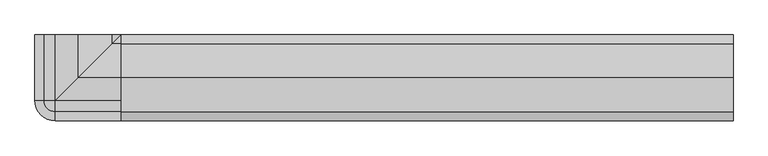
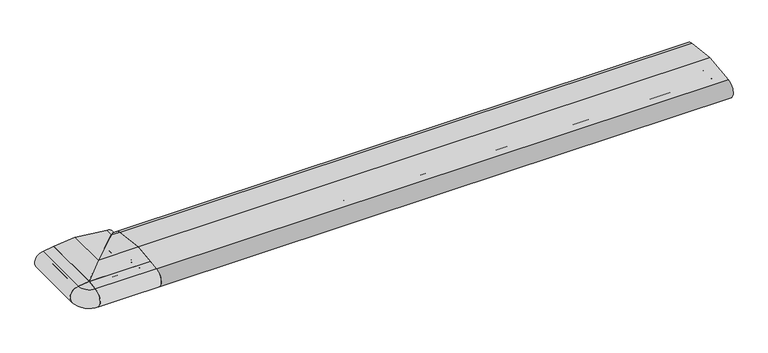
"""IFC4 building model written with IfcOpenShell, lengths in millimetres: proxy geometry."""

from ifc_helpers import new_model, si_unit, point, frame, frame_2d, origin, place, context, project, spatial, polyline, circle_curve, ellipse_curve, trimmed, segment, composite_curve, outline, extrude, source, transform, mapped, element, save
from ifc_brep_helpers import plane_surface, cylinder_surface, revolved_surface, advanced_brep


def generic_models_9a75da99(model_context):
    return source(origin(), model_context, "Body", "SolidModel", [
        advanced_brep(
        [(-133.0, 50.0, 0.0), (-160.0, 50.0, 0.0), (-160.0, 50.0, 53.7864216), (-105.0, 50.0, 60.4), (-21.9141927, 50.0, 50.4091909), (-23.4018517, 50.0, 2.5074549), (-24.2927999, 50.0, 3.0071443), (-26.3094011, 50.0, 6.5), (-28.0414519, 50.0, 7.5), (-44.5151724, 50.0, 7.5), (-46.2472233, 50.0, 6.5), (-49.7113249, 50.0, 0.5), (-50.5773503, 50.0, 0.0), (-77.0, 50.0, 0.0), (-78.0, 50.0, 1.0), (-78.0, 50.0, 7.0), (-80.0, 50.0, 9.0), (-93.0, 50.0, 9.0), (-95.0, 50.0, 7.0), (-95.0, 50.0, 1.0), (-96.0, 50.0, 0.0), (-114.0, 50.0, 0.0), (-115.0, 50.0, 1.0), (-115.0, 50.0, 7.0), (-117.0, 50.0, 9.0), (-130.0, 50.0, 9.0), (-132.0, 50.0, 7.0), (-132.0, 50.0, 1.0), (-134.3659949, 50.0, 17.8353497), (-134.3659949, 50.0, 29.8353497), (-137.6340051, 50.0, 29.8353497), (-137.6340051, 50.0, 17.8353497), (-112.9623451, 50.0, 23.8353497), (-97.0376549, 50.0, 23.8353497), (-75.6340051, 50.0, 17.8353497), (-72.3659949, 50.0, 17.8353497), (-72.3659949, 50.0, 29.8353497), (-75.6340051, 50.0, 29.8353497), (-133.0, -83.0, 0.0), (-160.0, -110.0, 0.0), (-160.0, -110.0, 53.7864216), (-105.0, -55.0, 60.4), (-21.9141927, 28.0858073, 50.4091909), (-23.4018517, 26.5981483, 2.5074549), (-24.2927999, 25.7072001, 3.0071443), (-26.3094011, 23.6905989, 6.5), (-28.0414519, 21.9585481, 7.5), (-44.5151724, 5.4848276, 7.5), (-46.2472233, 3.7527767, 6.5), (-49.7113249, 0.2886751, 0.5), (-50.5773503, -0.5773503, 0.0), (-77.0, -27.0, 0.0), (-78.0, -28.0, 1.0), (-78.0, -28.0, 7.0), (-80.0, -30.0, 9.0), (-93.0, -43.0, 9.0), (-95.0, -45.0, 7.0), (-95.0, -45.0, 1.0), (-96.0, -46.0, 0.0), (-114.0, -64.0, 0.0), (-115.0, -65.0, 1.0), (-115.0, -65.0, 7.0), (-117.0, -67.0, 9.0), (-130.0, -80.0, 9.0), (-132.0, -82.0, 7.0), (-132.0, -82.0, 1.0), (-134.3659949, -84.3659949, 17.8353497), (-134.3659949, -84.3659949, 29.8353497), (-137.6340051, -87.6340051, 29.8353497), (-137.6340051, -87.6340051, 17.8353497), (-112.9623451, -62.9623451, 23.8353497), (-97.0376549, -47.0376549, 23.8353497), (-75.6340051, -25.6340051, 17.8353497), (-72.3659949, -22.3659949, 17.8353497), (-72.3659949, -22.3659949, 29.8353497), (-75.6340051, -25.6340051, 29.8353497)],
        [
            (0, 1),
            (1, 2),
            (2, 3),
            (3, 4),
            (4, 5, circle_curve(frame((-24.0, 50.0, 26.5), z_axis=(0.0, 1.0, 0.0), x_axis=(0.08690863944627836, 0.0, 0.9962162859487877)), 24.0)),
            (5, 6, circle_curve(frame((-23.4267745, 50.0, 3.5071443), z_axis=(0.0, 1.0, 0.0), x_axis=(0.024922847684081085, 0.0, -0.999689377588517)), 1.0)),
            (6, 7),
            (7, 8, circle_curve(frame((-28.0414519, 50.0, 5.5), z_axis=(0.0, -1.0, 0.0), x_axis=(0.8660254037844379, 0.0, 0.5000000000000012)), 2.0)),
            (8, 9),
            (9, 10, circle_curve(frame((-44.5151724, 50.0, 5.5), z_axis=(0.0, -1.0, 0.0), x_axis=(0.0, 0.0, 1.0)), 2.0)),
            (10, 11),
            (11, 12, circle_curve(frame((-50.5773503, 50.0, 1.0), z_axis=(0.0, 1.0, 0.0), x_axis=(0.8660254037844339, 0.0, -0.5000000000000082)), 1.0)),
            (12, 13),
            (13, 14, circle_curve(frame((-77.0, 50.0, 1.0), z_axis=(0.0, 1.0, 0.0), x_axis=(0.0, 0.0, -1.0)), 1.0)),
            (14, 15),
            (15, 16, circle_curve(frame((-80.0, 50.0, 7.0), z_axis=(0.0, -1.0, 0.0), x_axis=(1.0, 0.0, 0.0)), 2.0)),
            (16, 17),
            (17, 18, circle_curve(frame((-93.0, 50.0, 7.0), z_axis=(0.0, -1.0, 0.0), x_axis=(0.0, 0.0, 1.0)), 2.0)),
            (18, 19),
            (19, 20, circle_curve(frame((-96.0, 50.0, 1.0), z_axis=(0.0, 1.0, 0.0), x_axis=(1.0, 0.0, 0.0)), 1.0)),
            (20, 21),
            (21, 22, circle_curve(frame((-114.0, 50.0, 1.0), z_axis=(0.0, 1.0, 0.0), x_axis=(-1.0, 0.0, 0.0)), 1.0)),
            (22, 23),
            (23, 24, circle_curve(frame((-117.0, 50.0, 7.0), z_axis=(0.0, -1.0, 0.0), x_axis=(0.0, 0.0, 1.0)), 2.0)),
            (24, 25),
            (25, 26, circle_curve(frame((-130.0, 50.0, 7.0), z_axis=(0.0, -1.0, 0.0), x_axis=(-1.0, 0.0, 0.0)), 2.0)),
            (26, 27),
            (27, 0, circle_curve(frame((-133.0, 50.0, 1.0), z_axis=(0.0, 1.0, 0.0), x_axis=(0.0, 0.0, -1.0)), 1.0)),
            (28, 29, circle_curve(frame((-133.9962051, 50.0, 23.8353497), z_axis=(0.0, -1.0, 0.0), x_axis=(-0.061514911664729485, 0.0, 0.9981061645150182)), 6.0113846)),
            (29, 30),
            (30, 31, circle_curve(frame((-138.0037949, 50.0, 23.8353497), z_axis=(0.0, -1.0, 0.0), x_axis=(0.061514911664663253, 0.0, -0.9981061645150223)), 6.0113846)),
            (31, 28),
            (32, 33, circle_curve(frame((-105.0, 50.0, 23.8353497), z_axis=(0.0, -1.0, 0.0), x_axis=(1.0, 0.0, 0.0)), 7.9623451)),
            (33, 32, circle_curve(frame((-105.0, 50.0, 23.8353497), z_axis=(0.0, -1.0, 0.0), x_axis=(1.0, 0.0, 0.0)), 7.9623451)),
            (34, 35),
            (35, 36, circle_curve(frame((-71.9962051, 50.0, 23.8353497), z_axis=(0.0, -1.0, 0.0), x_axis=(-0.061514911664663253, 0.0, -0.9981061645150223)), 6.0113846)),
            (36, 37),
            (37, 34, circle_curve(frame((-76.0037949, 50.0, 23.8353497), z_axis=(0.0, -1.0, 0.0), x_axis=(0.061514911664729485, 0.0, 0.9981061645150182)), 6.0113846)),
            (0, 38),
            (38, 39),
            (39, 1),
            (39, 40),
            (40, 2),
            (40, 41),
            (41, 3),
            (41, 42),
            (42, 4),
            (42, 43, ellipse_curve(frame((-24.0, 26.0, 26.5), z_axis=(-0.7071067811865491, 0.707106781186546, 0.0), x_axis=(-0.707106781186546, -0.7071067811865491, 0.0)), 33.9411255, 24.0)),
            (43, 5),
            (43, 44, ellipse_curve(frame((-23.4267745, 26.5732255, 3.5071443), z_axis=(-0.7071067811865491, 0.707106781186546, 0.0), x_axis=(-0.707106781186546, -0.7071067811865491, 0.0)), 1.4142136, 1.0)),
            (44, 6),
            (44, 45),
            (45, 7),
            (45, 46, ellipse_curve(frame((-28.0414519, 21.9585481, 5.5), z_axis=(0.7071067811865491, -0.707106781186546, 0.0), x_axis=(0.707106781186546, 0.7071067811865491, 0.0)), 2.8284271, 2.0)),
            (46, 8),
            (46, 47),
            (47, 9),
            (47, 48, ellipse_curve(frame((-44.5151724, 5.4848276, 5.5), z_axis=(0.7071067811865491, -0.707106781186546, 0.0), x_axis=(0.707106781186546, 0.7071067811865491, 0.0)), 2.8284271, 2.0)),
            (48, 10),
            (48, 49),
            (49, 11),
            (49, 50, ellipse_curve(frame((-50.5773503, -0.5773503, 1.0), z_axis=(-0.7071067811865491, 0.707106781186546, 0.0), x_axis=(-0.707106781186546, -0.7071067811865491, 0.0)), 1.4142136, 1.0)),
            (50, 12),
            (50, 51),
            (51, 13),
            (51, 52, ellipse_curve(frame((-77.0, -27.0, 1.0), z_axis=(-0.7071067811865491, 0.707106781186546, 0.0), x_axis=(-0.707106781186546, -0.7071067811865491, 0.0)), 1.4142136, 1.0)),
            (52, 14),
            (52, 53),
            (53, 15),
            (53, 54, ellipse_curve(frame((-80.0, -30.0, 7.0), z_axis=(0.7071067811865491, -0.707106781186546, 0.0), x_axis=(0.707106781186546, 0.7071067811865491, 0.0)), 2.8284271, 2.0)),
            (54, 16),
            (54, 55),
            (55, 17),
            (55, 56, ellipse_curve(frame((-93.0, -43.0, 7.0), z_axis=(0.7071067811865491, -0.707106781186546, 0.0), x_axis=(0.707106781186546, 0.7071067811865491, 0.0)), 2.8284271, 2.0)),
            (56, 18),
            (56, 57),
            (57, 19),
            (57, 58, ellipse_curve(frame((-96.0, -46.0, 1.0), z_axis=(-0.7071067811865491, 0.707106781186546, 0.0), x_axis=(-0.707106781186546, -0.7071067811865491, 0.0)), 1.4142136, 1.0)),
            (58, 20),
            (58, 59),
            (59, 21),
            (59, 60, ellipse_curve(frame((-114.0, -64.0, 1.0), z_axis=(-0.7071067811865491, 0.707106781186546, 0.0), x_axis=(-0.707106781186546, -0.7071067811865491, 0.0)), 1.4142136, 1.0)),
            (60, 22),
            (60, 61),
            (61, 23),
            (61, 62, ellipse_curve(frame((-117.0, -67.0, 7.0), z_axis=(0.7071067811865491, -0.707106781186546, 0.0), x_axis=(0.707106781186546, 0.7071067811865491, 0.0)), 2.8284271, 2.0)),
            (62, 24),
            (62, 63),
            (63, 25),
            (63, 64, ellipse_curve(frame((-130.0, -80.0, 7.0), z_axis=(0.7071067811865491, -0.707106781186546, 0.0), x_axis=(0.707106781186546, 0.7071067811865491, 0.0)), 2.8284271, 2.0)),
            (64, 26),
            (64, 65),
            (65, 27),
            (65, 38, ellipse_curve(frame((-133.0, -83.0, 1.0), z_axis=(-0.7071067811865491, 0.707106781186546, 0.0), x_axis=(-0.707106781186546, -0.7071067811865491, 0.0)), 1.4142136, 1.0)),
            (28, 66),
            (66, 67, ellipse_curve(frame((-133.9962051, -83.9962051, 23.8353497), z_axis=(0.7071067811865491, -0.707106781186546, 0.0), x_axis=(0.707106781186546, 0.7071067811865491, 0.0)), 8.5013816, 6.0113846)),
            (67, 29),
            (67, 68),
            (68, 30),
            (68, 69, ellipse_curve(frame((-138.0037949, -88.0037949, 23.8353497), z_axis=(0.7071067811865491, -0.707106781186546, 0.0), x_axis=(0.707106781186546, 0.7071067811865491, 0.0)), 8.5013816, 6.0113846)),
            (69, 31),
            (69, 66),
            (32, 70),
            (70, 71, ellipse_curve(frame((-105.0, -55.0, 23.8353497), z_axis=(0.7071067811865491, -0.707106781186546, 0.0), x_axis=(0.707106781186546, 0.7071067811865491, 0.0)), 11.2604564, 7.9623451)),
            (71, 33),
            (71, 70, ellipse_curve(frame((-105.0, -55.0, 23.8353497), z_axis=(0.7071067811865491, -0.707106781186546, 0.0), x_axis=(0.707106781186546, 0.7071067811865491, 0.0)), 11.2604564, 7.9623451)),
            (34, 72),
            (72, 73),
            (73, 35),
            (73, 74, ellipse_curve(frame((-71.9962051, -21.9962051, 23.8353497), z_axis=(0.7071067811865491, -0.707106781186546, 0.0), x_axis=(0.707106781186546, 0.7071067811865491, 0.0)), 8.5013816, 6.0113846)),
            (74, 36),
            (74, 75),
            (75, 37),
            (75, 72, ellipse_curve(frame((-76.0037949, -26.0037949, 23.8353497), z_axis=(0.7071067811865491, -0.707106781186546, 0.0), x_axis=(0.707106781186546, 0.7071067811865491, 0.0)), 8.5013816, 6.0113846)),
        ],
        [
            plane_surface(frame((-50.0, 50.0, 0.0), z_axis=(0.0, 1.0, 0.0), x_axis=(0.0, 0.0, 1.0))),
            plane_surface(frame((-133.0, -110.0, 0.0), z_axis=(0.0, 0.0, -1.0), x_axis=(0.0, 1.0, 0.0))),
            plane_surface(frame((-160.0, -110.0, 0.0), z_axis=(-1.0, 0.0, 0.0), x_axis=(0.0, 1.0, 0.0))),
            plane_surface(frame((-160.0, -110.0, 53.7864216), z_axis=(-0.11938685218914781, 0.0, 0.9928478128718251), x_axis=(0.0, 1.0, 0.0))),
            plane_surface(frame((-105.0, -110.0, 60.4), z_axis=(0.11938685218914852, 0.0, 0.992847812871825), x_axis=(0.0, 1.0, 0.0))),
            cylinder_surface(frame((-24.0, -110.0, 26.5), z_axis=(0.0, -1.0, 0.0), x_axis=(0.08690863944627836, 0.0, 0.9962162859487877)), 24.0),
            cylinder_surface(frame((-23.4267745, -110.0, 3.5071443), z_axis=(0.0, -1.0000000000000002, 0.0), x_axis=(0.024922847684081085, 0.0, -0.999689377588517)), 1.0),
            plane_surface(frame((-24.2927999, -110.0, 3.0071443), z_axis=(-0.8660254037844368, 0.0, -0.5000000000000032), x_axis=(0.0, 1.0, 0.0))),
            revolved_surface(polyline([(-26.309401092431123, 50.0, 6.500000000000003), (-26.309401092431123, 19.958548117498196, 6.500000000000003)]), (-28.0414519, -110.0, 5.5), (0.0, 1.0, 0.0)),
            plane_surface(frame((-28.0414519, -110.0, 7.5), z_axis=(0.0, 0.0, -1.0), x_axis=(0.0, 1.0, 0.0))),
            revolved_surface(polyline([(-44.5151724, 50.0, 7.5), (-44.5151724, 3.4848276174981976, 7.5)]), (-44.5151724, -110.0, 5.5), (0.0, 1.0, 0.0)),
            plane_surface(frame((-46.2472233, -110.0, 6.5), z_axis=(0.8660254037844349, 0.0, -0.5000000000000064), x_axis=(0.0, 1.0, 0.0))),
            cylinder_surface(frame((-50.5773503, -110.0, 1.0), z_axis=(0.0, -1.0, 0.0), x_axis=(0.8660254037844339, 0.0, -0.5000000000000082)), 1.0),
            plane_surface(frame((-50.5773503, -110.0, 0.0), z_axis=(0.0, 0.0, -1.0), x_axis=(0.0, 1.0, 0.0))),
            cylinder_surface(frame((-77.0, -110.0, 1.0), z_axis=(0.0, -1.0, 0.0), x_axis=(0.0, 0.0, -1.0)), 1.0),
            plane_surface(frame((-78.0, -110.0, 1.0), z_axis=(-1.0, 0.0, 0.0), x_axis=(0.0, 1.0, 0.0))),
            revolved_surface(polyline([(-78.0, 50.0, 7.0), (-78.0, -31.999999982501805, 7.0)]), (-80.0, -110.0, 7.0), (0.0, 1.0, 0.0)),
            plane_surface(frame((-80.0, -110.0, 9.0), z_axis=(0.0, 0.0, -1.0), x_axis=(0.0, 1.0, 0.0))),
            revolved_surface(polyline([(-93.0, 50.0, 9.0), (-93.0, -45.0, 9.0)]), (-93.0, -110.0, 7.0), (0.0, 1.0, 0.0)),
            plane_surface(frame((-95.0, -110.0, 7.0), z_axis=(1.0, 0.0, 0.0), x_axis=(0.0, 1.0, 0.0))),
            cylinder_surface(frame((-96.0, -110.0, 1.0), z_axis=(0.0, -1.0, 0.0), x_axis=(1.0, 0.0, 0.0)), 1.0),
            plane_surface(frame((-105.0, -110.0, 0.0), z_axis=(0.0, 0.0, -1.0), x_axis=(0.0, 1.0, 0.0))),
            cylinder_surface(frame((-114.0, -110.0, 1.0), z_axis=(0.0, -1.0, 0.0), x_axis=(-1.0, 0.0, 0.0)), 1.0),
            plane_surface(frame((-115.0, -110.0, 1.0), z_axis=(-1.0, 0.0, 0.0), x_axis=(0.0, 1.0, 0.0))),
            revolved_surface(polyline([(-117.0, 50.0, 9.0), (-117.0, -68.9999999825018, 9.0)]), (-117.0, -110.0, 7.0), (0.0, 1.0, 0.0)),
            plane_surface(frame((-117.0, -110.0, 9.0), z_axis=(0.0, 0.0, -1.0), x_axis=(0.0, 1.0, 0.0))),
            revolved_surface(polyline([(-132.0, 50.0, 7.0), (-132.0, -82.0, 7.0)]), (-130.0, -110.0, 7.0), (0.0, 1.0, 0.0)),
            plane_surface(frame((-132.0, -110.0, 7.0), z_axis=(1.0, 0.0, 0.0), x_axis=(0.0, 1.0, 0.0))),
            cylinder_surface(frame((-133.0, -110.0, 1.0), z_axis=(0.0, -1.0, 0.0), x_axis=(0.0, 0.0, -1.0)), 1.0),
            revolved_surface(polyline([(-134.3659948926517, 50.0, 29.835349726530644), (-134.3659948926517, -90.00758967881455, 29.835349726530644)]), (-133.9962051, -110.0, 23.8353497), (0.0, 1.0, 0.0)),
            plane_surface(frame((-134.3659949, -110.0, 29.8353497), z_axis=(0.0, 0.0, -1.0), x_axis=(0.0, 1.0, 0.0))),
            revolved_surface(polyline([(-137.63400510734868, 50.00000000000006, 17.835349673469327), (-137.63400510734868, -94.01517947881456, 17.835349673469327)]), (-138.0037949, -110.0, 23.8353497), (0.0, 1.0000000000000002, 0.0)),
            plane_surface(frame((-137.6340051, -110.0, 17.8353497), z_axis=(0.0, 0.0, 1.0), x_axis=(0.0, 1.0, 0.0))),
            revolved_surface(polyline([(-97.0376549, 50.0, 23.8353497), (-97.0376549, -62.9623451, 23.8353497)]), (-105.0, -110.0, 23.8353497), (0.0, 1.0, 0.0)),
            plane_surface(frame((-75.6340051, -110.0, 17.8353497), z_axis=(0.0, 0.0, 1.0), x_axis=(0.0, 1.0, 0.0))),
            revolved_surface(polyline([(-72.36599489265132, 50.00000000000006, 17.835349673469327), (-72.36599489265132, -28.007589678814526, 17.835349673469327)]), (-71.9962051, -110.0, 23.8353497), (0.0, 1.0000000000000002, 0.0)),
            plane_surface(frame((-72.3659949, -110.0, 29.8353497), z_axis=(0.0, 0.0, -1.0), x_axis=(0.0, 1.0, 0.0))),
            revolved_surface(polyline([(-75.63400510734829, 50.0, 29.835349726530644), (-75.63400510734829, -32.01517947881456, 29.835349726530644)]), (-76.0037949, -110.0, 23.8353497), (0.0, 1.0, 0.0)),
            plane_surface(frame((46.2100168, 96.2100168, 85.0), z_axis=(0.7071067811865491, -0.707106781186546, 0.0), x_axis=(-0.707106781186546, -0.7071067811865491, 0.0))),
        ],
        [
            (0, [[1, 2, 3, 4, 5, 6, 7, 8, 9, 10, 11, 12, 13, 14, 15, 16, 17, 18, 19, 20, 21, 22, 23, 24, 25, 26, 27, 28], [29, 30, 31, 32], [33, 34], [35, 36, 37, 38]]),
            (1, [[39, 40, 41, -1]]),
            (2, [[-41, 42, 43, -2]]),
            (3, [[-43, 44, 45, -3]]),
            (4, [[-45, 46, 47, -4]]),
            (5, [[-47, 48, 49, -5]]),
            (6, [[-49, 50, 51, -6]]),
            (7, [[-51, 52, 53, -7]]),
            (8, [[-53, 54, 55, -8]]),
            (9, [[-55, 56, 57, -9]]),
            (10, [[-57, 58, 59, -10]]),
            (11, [[-59, 60, 61, -11]]),
            (12, [[-61, 62, 63, -12]]),
            (13, [[-63, 64, 65, -13]]),
            (14, [[-65, 66, 67, -14]]),
            (15, [[-67, 68, 69, -15]]),
            (16, [[-69, 70, 71, -16]]),
            (17, [[-71, 72, 73, -17]]),
            (18, [[-73, 74, 75, -18]]),
            (19, [[-75, 76, 77, -19]]),
            (20, [[-77, 78, 79, -20]]),
            (21, [[-79, 80, 81, -21]]),
            (22, [[-81, 82, 83, -22]]),
            (23, [[-83, 84, 85, -23]]),
            (24, [[-85, 86, 87, -24]]),
            (25, [[-87, 88, 89, -25]]),
            (26, [[-89, 90, 91, -26]]),
            (27, [[-91, 92, 93, -27]]),
            (28, [[-93, 94, -39, -28]]),
            (29, [[95, 96, 97, -29]]),
            (30, [[-97, 98, 99, -30]]),
            (31, [[-99, 100, 101, -31]]),
            (32, [[-101, 102, -95, -32]]),
            (33, [[103, 104, 105, -33]]),
            (33, [[-105, 106, -103, -34]]),
            (34, [[107, 108, 109, -35]]),
            (35, [[-109, 110, 111, -36]]),
            (36, [[-111, 112, 113, -37]]),
            (37, [[-113, 114, -107, -38]]),
            (38, [[-94, -92, -90, -88, -86, -84, -82, -80, -78, -76, -74, -72, -70, -68, -66, -64, -62, -60, -58, -56, -54, -52, -50, -48, -46, -44, -42, -40], [-102, -100, -98, -96], [-106, -104], [-114, -112, -110, -108]]),
        ],
    ),
        advanced_brep(
        [(0.0, -83.0, 0.0), (0.0, -82.0, 1.0), (0.0, -82.0, 7.0), (0.0, -80.0, 9.0), (0.0, -67.0, 9.0), (0.0, -65.0, 7.0), (0.0, -65.0, 1.0), (0.0, -64.0, 0.0), (0.0, -46.0, 0.0), (0.0, -45.0, 1.0), (0.0, -45.0, 7.0), (0.0, -43.0, 9.0), (0.0, -30.0, 9.0), (0.0, -28.0, 7.0), (0.0, -28.0, 1.0), (0.0, -27.0, 0.0), (0.0, -0.5773503, 0.0), (0.0, 0.2886751, 0.5), (0.0, 3.7527767, 6.5), (0.0, 5.4848276, 7.5), (0.0, 21.9585481, 7.5), (0.0, 23.6905989, 6.5), (0.0, 25.7072001, 3.0071443), (0.0, 26.5981483, 2.5074549), (0.0, 28.0858073, 50.4091909), (0.0, -55.0, 60.4), (0.0, -110.0, 53.7864216), (0.0, -110.0, 0.0), (0.0, -84.3659949, 17.8353497), (0.0, -87.6340051, 17.8353497), (0.0, -87.6340051, 29.8353497), (0.0, -84.3659949, 29.8353497), (0.0, -62.9623451, 23.8353497), (0.0, -47.0376549, 23.8353497), (0.0, -25.6340051, 17.8353497), (0.0, -25.6340051, 29.8353497), (0.0, -22.3659949, 29.8353497), (0.0, -22.3659949, 17.8353497), (-105.0, -55.0, 60.4), (-160.0, -110.0, 53.7864216), (-21.9141927, 28.0858073, 50.4091909), (-160.0, -110.0, 0.0), (-77.0, -27.0, 0.0), (-50.5773503, -0.5773503, 0.0), (-78.0, -28.0, 1.0), (-78.0, -28.0, 7.0), (-80.0, -30.0, 9.0), (-93.0, -43.0, 9.0), (-95.0, -45.0, 7.0), (-95.0, -45.0, 1.0), (-96.0, -46.0, 0.0), (-114.0, -64.0, 0.0), (-115.0, -65.0, 1.0), (-115.0, -65.0, 7.0), (-117.0, -67.0, 9.0), (-130.0, -80.0, 9.0), (-132.0, -82.0, 7.0), (-132.0, -82.0, 1.0), (-133.0, -83.0, 0.0), (-134.3659949, -84.3659949, 29.8353497), (-134.3659949, -84.3659949, 17.8353497), (-137.6340051, -87.6340051, 29.8353497), (-137.6340051, -87.6340051, 17.8353497), (-97.0376549, -47.0376549, 23.8353497), (-112.9623451, -62.9623451, 23.8353497), (-72.3659949, -22.3659949, 17.8353497), (-75.6340051, -25.6340051, 17.8353497), (-72.3659949, -22.3659949, 29.8353497), (-75.6340051, -25.6340051, 29.8353497), (-23.4018517, 26.5981483, 2.5074549), (-24.2927999, 25.7072001, 3.0071443), (-26.3094011, 23.6905989, 6.5), (-28.0414519, 21.9585481, 7.5), (-44.5151724, 5.4848276, 7.5), (-46.2472233, 3.7527767, 6.5), (-49.7113249, 0.2886751, 0.5)],
        [
            (0, 1, circle_curve(frame((0.0, -83.0, 1.0), z_axis=(1.0, 0.0, 0.0), x_axis=(0.0, 0.0, -1.0)), 1.0)),
            (1, 2),
            (2, 3, circle_curve(frame((0.0, -80.0, 7.0), z_axis=(-1.0, 0.0, 0.0), x_axis=(0.0, -1.0, 0.0)), 2.0)),
            (3, 4),
            (4, 5, circle_curve(frame((0.0, -67.0, 7.0), z_axis=(-1.0, 0.0, 0.0), x_axis=(0.0, 0.0, 1.0)), 2.0)),
            (5, 6),
            (6, 7, circle_curve(frame((0.0, -64.0, 1.0), z_axis=(1.0, 0.0, 0.0), x_axis=(0.0, -1.0, 0.0)), 1.0)),
            (7, 8),
            (8, 9, circle_curve(frame((0.0, -46.0, 1.0), z_axis=(1.0, 0.0, 0.0), x_axis=(0.0, 1.0, 0.0)), 1.0)),
            (9, 10),
            (10, 11, circle_curve(frame((0.0, -43.0, 7.0), z_axis=(-1.0, 0.0, 0.0), x_axis=(0.0, 0.0, 1.0)), 2.0)),
            (11, 12),
            (12, 13, circle_curve(frame((0.0, -30.0, 7.0), z_axis=(-1.0, 0.0, 0.0), x_axis=(0.0, 1.0, 0.0)), 2.0)),
            (13, 14),
            (14, 15, circle_curve(frame((0.0, -27.0, 1.0), z_axis=(1.0, 0.0, 0.0), x_axis=(0.0, 0.0, -1.0)), 1.0)),
            (15, 16),
            (16, 17, circle_curve(frame((0.0, -0.5773503, 1.0), z_axis=(1.0, 0.0, 0.0), x_axis=(0.0, 0.8660254037844339, -0.5000000000000082)), 1.0)),
            (17, 18),
            (18, 19, circle_curve(frame((0.0, 5.4848276, 5.5), z_axis=(-1.0, 0.0, 0.0), x_axis=(0.0, 0.0, 1.0)), 2.0)),
            (19, 20),
            (20, 21, circle_curve(frame((0.0, 21.9585481, 5.5), z_axis=(-1.0, 0.0, 0.0), x_axis=(0.0, 0.8660254037844379, 0.5000000000000012)), 2.0)),
            (21, 22),
            (22, 23, circle_curve(frame((0.0, 26.5732255, 3.5071443), z_axis=(1.0, 0.0, 0.0), x_axis=(0.0, 0.024922847684081085, -0.999689377588517)), 1.0)),
            (23, 24, circle_curve(frame((0.0, 26.0, 26.5), z_axis=(1.0, 0.0, 0.0), x_axis=(0.0, 0.08690863944627836, 0.9962162859487877)), 24.0)),
            (24, 25),
            (25, 26),
            (26, 27),
            (27, 0),
            (28, 29),
            (29, 30, circle_curve(frame((0.0, -88.0037949, 23.8353497), z_axis=(-1.0, 0.0, 0.0), x_axis=(0.0, 0.061514911664663253, -0.9981061645150223)), 6.0113846)),
            (30, 31),
            (31, 28, circle_curve(frame((0.0, -83.9962051, 23.8353497), z_axis=(-1.0, 0.0, 0.0), x_axis=(0.0, -0.061514911664729485, 0.9981061645150182)), 6.0113846)),
            (32, 33, circle_curve(frame((0.0, -55.0, 23.8353497), z_axis=(-1.0, 0.0, 0.0), x_axis=(0.0, 1.0, 0.0)), 7.9623451)),
            (33, 32, circle_curve(frame((0.0, -55.0, 23.8353497), z_axis=(-1.0, 0.0, 0.0), x_axis=(0.0, 1.0, 0.0)), 7.9623451)),
            (34, 35, circle_curve(frame((0.0, -26.0037949, 23.8353497), z_axis=(-1.0, 0.0, 0.0), x_axis=(0.0, 0.061514911664729485, 0.9981061645150182)), 6.0113846)),
            (35, 36),
            (36, 37, circle_curve(frame((0.0, -21.9962051, 23.8353497), z_axis=(-1.0, 0.0, 0.0), x_axis=(0.0, -0.061514911664663253, -0.9981061645150223)), 6.0113846)),
            (37, 34),
            (25, 38),
            (38, 39),
            (39, 26),
            (24, 40),
            (40, 38),
            (39, 41),
            (41, 27),
            (15, 42),
            (42, 43),
            (43, 16),
            (14, 44),
            (44, 42, ellipse_curve(frame((-77.0, -27.0, 1.0), z_axis=(0.7071067811865492, -0.7071067811865459, 0.0), x_axis=(0.7071067811865458, 0.7071067811865492, 0.0)), 1.4142136, 1.0)),
            (13, 45),
            (45, 44),
            (12, 46),
            (46, 45, ellipse_curve(frame((-80.0, -30.0, 7.0), z_axis=(-0.7071067811865492, 0.7071067811865459, 0.0), x_axis=(-0.7071067811865458, -0.7071067811865492, 0.0)), 2.8284271, 2.0)),
            (11, 47),
            (47, 46),
            (10, 48),
            (48, 47, ellipse_curve(frame((-93.0, -43.0, 7.0), z_axis=(-0.7071067811865492, 0.7071067811865459, 0.0), x_axis=(-0.7071067811865458, -0.7071067811865492, 0.0)), 2.8284271, 2.0)),
            (9, 49),
            (49, 48),
            (8, 50),
            (50, 49, ellipse_curve(frame((-96.0, -46.0, 1.0), z_axis=(0.7071067811865492, -0.7071067811865459, 0.0), x_axis=(0.7071067811865458, 0.7071067811865492, 0.0)), 1.4142136, 1.0)),
            (7, 51),
            (51, 50),
            (6, 52),
            (52, 51, ellipse_curve(frame((-114.0, -64.0, 1.0), z_axis=(0.7071067811865492, -0.7071067811865459, 0.0), x_axis=(0.7071067811865458, 0.7071067811865492, 0.0)), 1.4142136, 1.0)),
            (5, 53),
            (53, 52),
            (4, 54),
            (54, 53, ellipse_curve(frame((-117.0, -67.0, 7.0), z_axis=(-0.7071067811865492, 0.7071067811865459, 0.0), x_axis=(-0.7071067811865458, -0.7071067811865492, 0.0)), 2.8284271, 2.0)),
            (3, 55),
            (55, 54),
            (2, 56),
            (56, 55, ellipse_curve(frame((-130.0, -80.0, 7.0), z_axis=(-0.7071067811865492, 0.7071067811865459, 0.0), x_axis=(-0.7071067811865458, -0.7071067811865492, 0.0)), 2.8284271, 2.0)),
            (1, 57),
            (57, 56),
            (0, 58),
            (58, 57, ellipse_curve(frame((-133.0, -83.0, 1.0), z_axis=(0.7071067811865492, -0.7071067811865459, 0.0), x_axis=(0.7071067811865458, 0.7071067811865492, 0.0)), 1.4142136, 1.0)),
            (41, 58),
            (31, 59),
            (59, 60, ellipse_curve(frame((-133.9962051, -83.9962051, 23.8353497), z_axis=(-0.7071067811865492, 0.7071067811865459, 0.0), x_axis=(-0.7071067811865458, -0.7071067811865492, 0.0)), 8.5013816, 6.0113846)),
            (60, 28),
            (30, 61),
            (61, 59),
            (29, 62),
            (62, 61, ellipse_curve(frame((-138.0037949, -88.0037949, 23.8353497), z_axis=(-0.7071067811865492, 0.7071067811865459, 0.0), x_axis=(-0.7071067811865458, -0.7071067811865492, 0.0)), 8.5013816, 6.0113846)),
            (60, 62),
            (33, 63),
            (63, 64, ellipse_curve(frame((-105.0, -55.0, 23.8353497), z_axis=(-0.7071067811865492, 0.7071067811865459, 0.0), x_axis=(-0.7071067811865458, -0.7071067811865492, 0.0)), 11.2604564, 7.9623451)),
            (64, 32),
            (64, 63, ellipse_curve(frame((-105.0, -55.0, 23.8353497), z_axis=(-0.7071067811865492, 0.7071067811865459, 0.0), x_axis=(-0.7071067811865458, -0.7071067811865492, 0.0)), 11.2604564, 7.9623451)),
            (37, 65),
            (65, 66),
            (66, 34),
            (36, 67),
            (67, 65, ellipse_curve(frame((-71.9962051, -21.9962051, 23.8353497), z_axis=(-0.7071067811865492, 0.7071067811865459, 0.0), x_axis=(-0.7071067811865458, -0.7071067811865492, 0.0)), 8.5013816, 6.0113846)),
            (35, 68),
            (68, 67),
            (66, 68, ellipse_curve(frame((-76.0037949, -26.0037949, 23.8353497), z_axis=(-0.7071067811865492, 0.7071067811865459, 0.0), x_axis=(-0.7071067811865458, -0.7071067811865492, 0.0)), 8.5013816, 6.0113846)),
            (23, 69),
            (69, 40, ellipse_curve(frame((-24.0, 26.0, 26.5), z_axis=(0.7071067811865492, -0.7071067811865459, 0.0), x_axis=(0.7071067811865458, 0.7071067811865492, 0.0)), 33.9411255, 24.0)),
            (22, 70),
            (70, 69, ellipse_curve(frame((-23.4267745, 26.5732255, 3.5071443), z_axis=(0.7071067811865492, -0.7071067811865459, 0.0), x_axis=(0.7071067811865458, 0.7071067811865492, 0.0)), 1.4142136, 1.0)),
            (21, 71),
            (71, 70),
            (20, 72),
            (72, 71, ellipse_curve(frame((-28.0414519, 21.9585481, 5.5), z_axis=(-0.7071067811865492, 0.7071067811865459, 0.0), x_axis=(-0.7071067811865458, -0.7071067811865492, 0.0)), 2.8284271, 2.0)),
            (19, 73),
            (73, 72),
            (18, 74),
            (74, 73, ellipse_curve(frame((-44.5151724, 5.4848276, 5.5), z_axis=(-0.7071067811865492, 0.7071067811865459, 0.0), x_axis=(-0.7071067811865458, -0.7071067811865492, 0.0)), 2.8284271, 2.0)),
            (17, 75),
            (75, 74),
            (43, 75, ellipse_curve(frame((-50.5773503, -0.5773503, 1.0), z_axis=(0.7071067811865492, -0.7071067811865459, 0.0), x_axis=(0.7071067811865458, 0.7071067811865492, 0.0)), 1.4142136, 1.0)),
        ],
        [
            plane_surface(frame((0.0, 0.0, 0.0), z_axis=(1.0, 0.0, 0.0), x_axis=(0.0, 0.0, 1.0))),
            plane_surface(frame((0.0, -110.0, 53.7864216), z_axis=(0.0, -0.11938685218914781, 0.9928478128718251), x_axis=(-1.0, 0.0, 0.0))),
            plane_surface(frame((0.0, -55.0, 60.4), z_axis=(0.0, 0.11938685218914852, 0.992847812871825), x_axis=(-1.0, 0.0, 0.0))),
            plane_surface(frame((0.0, -110.0, 0.0), z_axis=(0.0, -1.0, 0.0), x_axis=(-1.0, 0.0, 0.0))),
            plane_surface(frame((0.0, -0.5773503, 0.0), z_axis=(0.0, 0.0, -1.0), x_axis=(-1.0, 0.0, 0.0))),
            cylinder_surface(frame((0.0, -27.0, 1.0), z_axis=(1.0, 0.0, 0.0), x_axis=(0.0, 0.0, -1.0)), 1.0),
            plane_surface(frame((0.0, -28.0, 1.0), z_axis=(0.0, -1.0, 0.0), x_axis=(-1.0, 0.0, 0.0))),
            revolved_surface(polyline([(-81.99999998250179, -28.0, 7.0), (0.0, -28.0, 7.0)]), (0.0, -30.0, 7.0), (-1.0, 0.0, 0.0)),
            plane_surface(frame((0.0, -30.0, 9.0), z_axis=(0.0, 0.0, -1.0), x_axis=(-1.0, 0.0, 0.0))),
            revolved_surface(polyline([(-95.0, -43.0, 9.0), (0.0, -43.0, 9.0)]), (0.0, -43.0, 7.0), (-1.0, 0.0, 0.0)),
            plane_surface(frame((0.0, -45.0, 7.0), z_axis=(0.0, 1.0, 0.0), x_axis=(-1.0, 0.0, 0.0))),
            cylinder_surface(frame((0.0, -46.0, 1.0), z_axis=(1.0, 0.0, 0.0), x_axis=(0.0, 1.0, 0.0)), 1.0),
            plane_surface(frame((0.0, -55.0, 0.0), z_axis=(0.0, 0.0, -1.0), x_axis=(-1.0, 0.0, 0.0))),
            cylinder_surface(frame((0.0, -64.0, 1.0), z_axis=(1.0, 0.0, 0.0), x_axis=(0.0, -1.0, 0.0)), 1.0),
            plane_surface(frame((0.0, -65.0, 1.0), z_axis=(0.0, -1.0, 0.0), x_axis=(-1.0, 0.0, 0.0))),
            revolved_surface(polyline([(-118.99999998250179, -67.0, 9.0), (0.0, -67.0, 9.0)]), (0.0, -67.0, 7.0), (-1.0, 0.0, 0.0)),
            plane_surface(frame((0.0, -67.0, 9.0), z_axis=(0.0, 0.0, -1.0), x_axis=(-1.0, 0.0, 0.0))),
            revolved_surface(polyline([(-132.0, -82.0, 7.0), (0.0, -82.0, 7.0)]), (0.0, -80.0, 7.0), (-1.0, 0.0, 0.0)),
            plane_surface(frame((0.0, -82.0, 7.0), z_axis=(0.0, 1.0, 0.0), x_axis=(-1.0, 0.0, 0.0))),
            cylinder_surface(frame((0.0, -83.0, 1.0), z_axis=(1.0, 0.0, 0.0), x_axis=(0.0, 0.0, -1.0)), 1.0),
            plane_surface(frame((0.0, -83.0, 0.0), z_axis=(0.0, 0.0, -1.0), x_axis=(-1.0, 0.0, 0.0))),
            revolved_surface(polyline([(-140.00758967881453, -84.36599489265171, 29.835349726530644), (0.0, -84.36599489265171, 29.835349726530644)]), (0.0, -83.9962051, 23.8353497), (-1.0, 0.0, 0.0)),
            plane_surface(frame((0.0, -84.3659949, 29.8353497), z_axis=(0.0, 0.0, -1.0), x_axis=(-1.0, 0.0, 0.0))),
            revolved_surface(polyline([(-144.0151794788146, -87.63400510734868, 17.835349673469327), (0.0, -87.63400510734868, 17.835349673469327)]), (0.0, -88.0037949, 23.8353497), (-1.0000000000000002, 0.0, 0.0)),
            plane_surface(frame((0.0, -87.6340051, 17.8353497), z_axis=(0.0, 0.0, 1.0), x_axis=(-1.0, 0.0, 0.0))),
            revolved_surface(polyline([(-112.9623451, -47.0376549, 23.8353497), (0.0, -47.0376549, 23.8353497)]), (0.0, -55.0, 23.8353497), (-1.0, 0.0, 0.0)),
            plane_surface(frame((0.0, -25.6340051, 17.8353497), z_axis=(0.0, 0.0, 1.0), x_axis=(-1.0, 0.0, 0.0))),
            revolved_surface(polyline([(-78.00758967881455, -22.36599489265132, 17.835349673469327), (0.0, -22.36599489265132, 17.835349673469327)]), (0.0, -21.9962051, 23.8353497), (-1.0000000000000002, 0.0, 0.0)),
            plane_surface(frame((0.0, -22.3659949, 29.8353497), z_axis=(0.0, 0.0, -1.0), x_axis=(-1.0, 0.0, 0.0))),
            revolved_surface(polyline([(-82.01517947881453, -25.634005107348283, 29.835349726530644), (0.0, -25.634005107348283, 29.835349726530644)]), (0.0, -26.0037949, 23.8353497), (-1.0, 0.0, 0.0)),
            cylinder_surface(frame((0.0, 26.0, 26.5), z_axis=(1.0, 0.0, 0.0), x_axis=(0.0, 0.08690863944627836, 0.9962162859487877)), 24.0),
            cylinder_surface(frame((0.0, 26.5732255, 3.5071443), z_axis=(1.0000000000000002, 0.0, 0.0), x_axis=(0.0, 0.024922847684081085, -0.999689377588517)), 1.0),
            plane_surface(frame((0.0, 25.7072001, 3.0071443), z_axis=(0.0, -0.8660254037844368, -0.5000000000000032), x_axis=(-1.0, 0.0, 0.0))),
            revolved_surface(polyline([(-30.041451882501796, 23.690598907568877, 6.500000000000003), (0.0, 23.690598907568877, 6.500000000000003)]), (0.0, 21.9585481, 5.5), (-1.0, 0.0, 0.0)),
            plane_surface(frame((0.0, 21.9585481, 7.5), z_axis=(0.0, 0.0, -1.0), x_axis=(-1.0, 0.0, 0.0))),
            revolved_surface(polyline([(-46.515172382501795, 5.4848276, 7.5), (0.0, 5.4848276, 7.5)]), (0.0, 5.4848276, 5.5), (-1.0, 0.0, 0.0)),
            plane_surface(frame((0.0, 3.7527767, 6.5), z_axis=(0.0, 0.8660254037844349, -0.5000000000000064), x_axis=(-1.0, 0.0, 0.0))),
            cylinder_surface(frame((0.0, -0.5773503, 1.0), z_axis=(1.0, 0.0, 0.0), x_axis=(0.0, 0.8660254037844339, -0.5000000000000082)), 1.0),
            plane_surface(frame((51.412591, 101.412591, 0.0), z_axis=(-0.7071067811865492, 0.7071067811865459, 0.0), x_axis=(-0.7071067811865459, -0.7071067811865492, 0.0))),
        ],
        [
            (0, [[1, 2, 3, 4, 5, 6, 7, 8, 9, 10, 11, 12, 13, 14, 15, 16, 17, 18, 19, 20, 21, 22, 23, 24, 25, 26, 27, 28], [29, 30, 31, 32], [33, 34], [35, 36, 37, 38]]),
            (1, [[39, 40, 41, -26]]),
            (2, [[42, 43, -39, -25]]),
            (3, [[-41, 44, 45, -27]]),
            (4, [[46, 47, 48, -16]]),
            (5, [[49, 50, -46, -15]]),
            (6, [[51, 52, -49, -14]]),
            (7, [[53, 54, -51, -13]]),
            (8, [[55, 56, -53, -12]]),
            (9, [[57, 58, -55, -11]]),
            (10, [[59, 60, -57, -10]]),
            (11, [[61, 62, -59, -9]]),
            (12, [[63, 64, -61, -8]]),
            (13, [[65, 66, -63, -7]]),
            (14, [[67, 68, -65, -6]]),
            (15, [[69, 70, -67, -5]]),
            (16, [[71, 72, -69, -4]]),
            (17, [[73, 74, -71, -3]]),
            (18, [[75, 76, -73, -2]]),
            (19, [[77, 78, -75, -1]]),
            (20, [[-45, 79, -77, -28]]),
            (21, [[80, 81, 82, -32]]),
            (22, [[83, 84, -80, -31]]),
            (23, [[85, 86, -83, -30]]),
            (24, [[-82, 87, -85, -29]]),
            (25, [[88, 89, 90, -34]]),
            (25, [[-90, 91, -88, -33]]),
            (26, [[92, 93, 94, -38]]),
            (27, [[95, 96, -92, -37]]),
            (28, [[97, 98, -95, -36]]),
            (29, [[-94, 99, -97, -35]]),
            (30, [[100, 101, -42, -24]]),
            (31, [[102, 103, -100, -23]]),
            (32, [[104, 105, -102, -22]]),
            (33, [[106, 107, -104, -21]]),
            (34, [[108, 109, -106, -20]]),
            (35, [[110, 111, -108, -19]]),
            (36, [[112, 113, -110, -18]]),
            (37, [[-48, 114, -112, -17]]),
            (38, [[-43, -101, -103, -105, -107, -109, -111, -113, -114, -47, -50, -52, -54, -56, -58, -60, -62, -64, -66, -68, -70, -72, -74, -76, -78, -79, -44, -40], [-84, -86, -87, -81], [-91, -89], [-96, -98, -99, -93]]),
        ],
    ),
        extrude(outline(composite_curve([segment(trimmed(circle_curve(frame_2d((3.5071443, -186.5732255)), 1.0), [point((2.5074549, -186.5981483))], [point((3.0071443, -185.7072001))], False, "CARTESIAN"), True, "CONTINUOUS"), segment(polyline([(3.0071443, -185.7072001), (6.5, -183.6905989)]), True, "CONTINUOUS"), segment(trimmed(circle_curve(frame_2d((5.5, -181.9585481)), 2.0), [point((6.5, -183.6905989))], [point((7.5, -181.9585481))], True, "CARTESIAN"), True, "CONTINUOUS"), segment(polyline([(7.5, -181.9585481), (7.5, -165.4848276)]), True, "CONTINUOUS"), segment(trimmed(circle_curve(frame_2d((5.5, -165.4848276)), 2.0), [point((7.5, -165.4848276))], [point((6.5, -163.7527767))], True, "CARTESIAN"), True, "CONTINUOUS"), segment(polyline([(6.5, -163.7527767), (0.0, -160.0), (53.7462575, -160.0), (50.4091909, -188.0858073)]), True, "CONTINUOUS"), segment(trimmed(circle_curve(frame_2d((26.5, -186.0)), 24.0), [point((50.4091909, -188.0858073))], [point((2.5074549, -186.5981483))], False, "CARTESIAN"), True, "CONTINUOUS")], self_intersect=False)), frame((0.0, -110.0, 0.0), z_axis=(0.0, 1.0, 0.0), x_axis=(0.0, 0.0, 1.0)), (0.0, 0.0, 1.0), 160.0),
        extrude(outline(composite_curve([segment(trimmed(circle_curve(frame_2d((-136.0, 26.5)), 24.0), [point((-136.5981483, 2.5074549))], [point((-138.0858073, 50.4091909))], False, "CARTESIAN"), True, "CONTINUOUS"), segment(polyline([(-138.0858073, 50.4091909), (-110.0, 53.7462575), (-110.0, 0.0), (-113.7527767, 6.5)]), True, "CONTINUOUS"), segment(trimmed(circle_curve(frame_2d((-115.4848276, 5.5)), 2.0), [point((-113.7527767, 6.5))], [point((-115.4848276, 7.5))], True, "CARTESIAN"), True, "CONTINUOUS"), segment(polyline([(-115.4848276, 7.5), (-131.9585481, 7.5)]), True, "CONTINUOUS"), segment(trimmed(circle_curve(frame_2d((-131.9585481, 5.5)), 2.0), [point((-131.9585481, 7.5))], [point((-133.6905989, 6.5))], True, "CARTESIAN"), True, "CONTINUOUS"), segment(polyline([(-133.6905989, 6.5), (-135.7072001, 3.0071443)]), True, "CONTINUOUS"), segment(trimmed(circle_curve(frame_2d((-136.5732255, 3.5071443)), 1.0), [point((-135.7072001, 3.0071443))], [point((-136.5981483, 2.5074549))], False, "CARTESIAN"), True, "CONTINUOUS")], self_intersect=False)), frame((-160.0, 0.0, 0.0), z_axis=(1.0, 0.0, 0.0), x_axis=(0.0, 1.0, 0.0)), (0.0, 0.0, 1.0), 160.0),
        advanced_brep(
        [(-160.0, -138.0858073, 50.4091909), (-160.0, -136.5981483, 2.5074549), (-160.0, -135.7072001, 3.0071443), (-160.0, -133.6905989, 6.5), (-160.0, -131.9585481, 7.5), (-160.0, -115.4848276, 7.5), (-160.0, -113.7527767, 6.5), (-160.0, -110.0, 0.0), (-160.0, -110.0, 53.7462575), (-188.0858073, -110.0, 50.4091909), (-163.7527767, -110.0, 6.5), (-165.4848276, -110.0, 7.5), (-181.9585481, -110.0, 7.5), (-183.6905989, -110.0, 6.5), (-185.7072001, -110.0, 3.0071443), (-186.5981483, -110.0, 2.5074549)],
        [
            (0, 1, circle_curve(frame((-160.0, -136.0, 26.5), z_axis=(1.0, 0.0, 0.0), x_axis=(0.0, -0.08690863944627836, 0.9962162859487877)), 24.0)),
            (1, 2, circle_curve(frame((-160.0, -136.5732255, 3.5071443), z_axis=(1.0000000000000002, 0.0, 0.0), x_axis=(0.0, -0.02492284768408108, -0.9996893775885168)), 1.0)),
            (2, 3),
            (3, 4, circle_curve(frame((-160.0, -131.9585481, 5.5), z_axis=(-1.0, 0.0, 0.0), x_axis=(0.0, -0.8660254037844379, 0.5000000000000012)), 2.0)),
            (4, 5),
            (5, 6, circle_curve(frame((-160.0, -115.4848276, 5.5), z_axis=(-1.0, 0.0, 0.0), x_axis=(0.0, 0.0, 1.0)), 2.0)),
            (6, 7),
            (7, 8),
            (8, 0),
            (9, 8),
            (7, 10),
            (10, 11, circle_curve(frame((-165.4848276, -110.0, 5.5), z_axis=(0.0, -1.0, 0.0), x_axis=(0.0, 0.0, 1.0)), 2.0)),
            (11, 12),
            (12, 13, circle_curve(frame((-181.9585481, -110.0, 5.5), z_axis=(0.0, -1.0, 0.0), x_axis=(-0.866025403784437, 0.0, 0.5000000000000028)), 2.0)),
            (13, 14),
            (14, 15, circle_curve(frame((-186.5732255, -110.0, 3.5071443), z_axis=(0.0, 1.0000000000000002, 0.0), x_axis=(-0.02492284768408283, 0.0, -0.9996893775885168)), 1.0)),
            (15, 9, circle_curve(frame((-186.0, -110.0, 26.5), z_axis=(0.0, 1.0, 0.0), x_axis=(-0.08690863944627661, 0.0, 0.9962162859487879)), 24.0)),
            (9, 0, circle_curve(frame((-160.0, -110.0, 50.4091909), z_axis=(0.0, 0.0, 1.0), x_axis=(0.0, -1.0, 0.0)), 28.0858073)),
            (6, 10, circle_curve(frame((-160.0, -110.0, 6.5), z_axis=(0.0, 0.0, -1.0), x_axis=(0.0, -1.0, 0.0)), 3.7527767)),
            (5, 11, circle_curve(frame((-160.0, -110.0, 7.5), z_axis=(0.0, 0.0, -1.0), x_axis=(0.0, -1.0, 0.0)), 5.4848276)),
            (4, 12, circle_curve(frame((-160.0, -110.0, 7.5), z_axis=(0.0, 0.0, -1.0), x_axis=(0.0, -1.0, 0.0)), 21.9585481)),
            (3, 13, circle_curve(frame((-160.0, -110.0, 6.5), z_axis=(0.0, 0.0, -1.0), x_axis=(0.0, -1.0, 0.0)), 23.6905989)),
            (2, 14, circle_curve(frame((-160.0, -110.0, 3.0071443), z_axis=(0.0, 0.0, -1.0), x_axis=(0.0, -1.0, 0.0)), 25.7072001)),
            (1, 15, circle_curve(frame((-160.0, -110.0, 2.5074549), z_axis=(0.0, 0.0, -1.0), x_axis=(0.0, -1.0, 0.0)), 26.5981483)),
        ],
        [
            plane_surface(frame((-160.0, -110.0, 53.7462575), z_axis=(1.0, 0.0, 0.0), x_axis=(0.0, -1.0, 0.0))),
            plane_surface(frame((-160.0, -110.0, 53.7462575), z_axis=(0.0, 1.0, 0.0), x_axis=(-1.0, 0.0, 0.0))),
            revolved_surface(polyline([(-160.0, -110.0, 53.7462575), (-160.0, -138.0858073, 50.4091909)]), (-160.0, -110.0, 53.7462575), (0.0, 0.0, -1.0)),
            revolved_surface(polyline([(-160.0, -113.7527767, 6.5), (-160.0, -110.0, 0.0)]), (-160.0, -110.0, 53.7462575), (0.0, 0.0, -1.0)),
            revolved_surface(trimmed(ellipse_curve(frame((-160.0, -115.4848276, 5.5), z_axis=(-1.0, 0.0, 0.0), x_axis=(0.0, 0.0, 1.0)), 2.0, 2.0), [point((-160.0, -115.4848276, 7.5))], [point((-160.0, -113.7527767, 6.5))], True, "CARTESIAN"), (-160.0, -110.0, 53.7462575), (0.0, 0.0, -1.0)),
            plane_surface(frame((-160.0, -110.0, 7.5), z_axis=(0.0, 0.0, -1.0), x_axis=(0.0, -1.0, 0.0))),
            revolved_surface(trimmed(ellipse_curve(frame((-160.0, -131.9585481, 5.5), z_axis=(-1.0, 0.0, 0.0), x_axis=(0.0, -0.8660254037844379, 0.5000000000000012)), 2.0, 2.0), [point((-160.0, -133.6905989, 6.5))], [point((-160.0, -131.9585481, 7.5))], True, "CARTESIAN"), (-160.0, -110.0, 53.7462575), (0.0, 0.0, -1.0)),
            revolved_surface(polyline([(-160.0, -135.7072001, 3.0071443), (-160.0, -133.6905989, 6.5)]), (-160.0, -110.0, 53.7462575), (0.0, 0.0, -1.0)),
            revolved_surface(trimmed(ellipse_curve(frame((-160.0, -136.5732255, 3.5071443), z_axis=(1.0000000000000002, 0.0, 0.0), x_axis=(0.0, -0.02492284768408108, -0.9996893775885168)), 1.0, 1.0), [point((-160.0, -136.5981483, 2.5074549))], [point((-160.0, -135.7072001, 3.0071443))], True, "CARTESIAN"), (-160.0, -110.0, 53.7462575), (0.0, 0.0, -1.0)),
            revolved_surface(trimmed(ellipse_curve(frame((-160.0, -136.0, 26.5), z_axis=(1.0, 0.0, 0.0), x_axis=(0.0, -0.08690863944627836, 0.9962162859487877)), 24.0, 24.0), [point((-160.0, -138.0858073, 50.4091909))], [point((-160.0, -136.5981483, 2.5074549))], True, "CARTESIAN"), (-160.0, -110.0, 53.7462575), (0.0, 0.0, -1.0)),
        ],
        [
            (0, [[1, 2, 3, 4, 5, 6, 7, 8, 9]]),
            (1, [[10, -8, 11, 12, 13, 14, 15, 16, 17]]),
            (2, [[-10, 18, -9]]),
            (3, [[-11, -7, 19]]),
            (4, [[-12, -19, -6, 20]]),
            (5, [[-13, -20, -5, 21]]),
            (6, [[-14, -21, -4, 22]]),
            (7, [[-15, -22, -3, 23]]),
            (8, [[-16, -23, -2, 24]]),
            (9, [[-17, -24, -1, -18]]),
        ],
    ),
        extrude(outline(composite_curve([segment(trimmed(circle_curve(frame_2d((-136.0, 26.5)), 24.0), [point((-136.5981483, 2.5074549))], [point((-138.0858073, 50.4091909))], False, "CARTESIAN"), True, "CONTINUOUS"), segment(polyline([(-138.0858073, 50.4091909), (-55.0, 60.4), (28.0858073, 50.4091909)]), True, "CONTINUOUS"), segment(trimmed(circle_curve(frame_2d((26.0, 26.5)), 24.0), [point((28.0858073, 50.4091909))], [point((26.5981483, 2.5074549))], False, "CARTESIAN"), True, "CONTINUOUS"), segment(trimmed(circle_curve(frame_2d((26.5732255, 3.5071443)), 1.0), [point((26.5981483, 2.5074549))], [point((25.7072001, 3.0071443))], False, "CARTESIAN"), True, "CONTINUOUS"), segment(polyline([(25.7072001, 3.0071443), (23.6905989, 6.5)]), True, "CONTINUOUS"), segment(trimmed(circle_curve(frame_2d((21.9585481, 5.5)), 2.0), [point((23.6905989, 6.5))], [point((21.9585481, 7.5))], True, "CARTESIAN"), True, "CONTINUOUS"), segment(polyline([(21.9585481, 7.5), (5.4848276, 7.5)]), True, "CONTINUOUS"), segment(trimmed(circle_curve(frame_2d((5.4848276, 5.5)), 2.0), [point((5.4848276, 7.5))], [point((3.7527767, 6.5))], True, "CARTESIAN"), True, "CONTINUOUS"), segment(polyline([(3.7527767, 6.5), (0.2886751, 0.5)]), True, "CONTINUOUS"), segment(trimmed(circle_curve(frame_2d((-0.5773503, 1.0)), 1.0), [point((0.2886751, 0.5))], [point((-0.5773503, 0.0))], False, "CARTESIAN"), True, "CONTINUOUS"), segment(polyline([(-0.5773503, 0.0), (-27.0, 0.0)]), True, "CONTINUOUS"), segment(trimmed(circle_curve(frame_2d((-27.0, 1.0)), 1.0), [point((-27.0, 0.0))], [point((-28.0, 1.0))], False, "CARTESIAN"), True, "CONTINUOUS"), segment(polyline([(-28.0, 1.0), (-28.0, 7.0)]), True, "CONTINUOUS"), segment(trimmed(circle_curve(frame_2d((-30.0, 7.0)), 2.0), [point((-28.0, 7.0))], [point((-30.0, 9.0))], True, "CARTESIAN"), True, "CONTINUOUS"), segment(polyline([(-30.0, 9.0), (-43.0, 9.0)]), True, "CONTINUOUS"), segment(trimmed(circle_curve(frame_2d((-43.0, 7.0)), 2.0), [point((-43.0, 9.0))], [point((-45.0, 7.0))], True, "CARTESIAN"), True, "CONTINUOUS"), segment(polyline([(-45.0, 7.0), (-45.0, 1.0)]), True, "CONTINUOUS"), segment(trimmed(circle_curve(frame_2d((-46.0, 1.0)), 1.0), [point((-45.0, 1.0))], [point((-46.0, 0.0))], False, "CARTESIAN"), True, "CONTINUOUS"), segment(polyline([(-46.0, 0.0), (-64.0, 0.0)]), True, "CONTINUOUS"), segment(trimmed(circle_curve(frame_2d((-64.0, 1.0)), 1.0), [point((-64.0, 0.0))], [point((-65.0, 1.0))], False, "CARTESIAN"), True, "CONTINUOUS"), segment(polyline([(-65.0, 1.0), (-65.0, 7.0)]), True, "CONTINUOUS"), segment(trimmed(circle_curve(frame_2d((-67.0, 7.0)), 2.0), [point((-65.0, 7.0))], [point((-67.0, 9.0))], True, "CARTESIAN"), True, "CONTINUOUS"), segment(polyline([(-67.0, 9.0), (-80.0, 9.0)]), True, "CONTINUOUS"), segment(trimmed(circle_curve(frame_2d((-80.0, 7.0)), 2.0), [point((-80.0, 9.0))], [point((-82.0, 7.0))], True, "CARTESIAN"), True, "CONTINUOUS"), segment(polyline([(-82.0, 7.0), (-82.0, 1.0)]), True, "CONTINUOUS"), segment(trimmed(circle_curve(frame_2d((-83.0, 1.0)), 1.0), [point((-82.0, 1.0))], [point((-83.0, 0.0))], False, "CARTESIAN"), True, "CONTINUOUS"), segment(polyline([(-83.0, 0.0), (-109.4226497, 0.0)]), True, "CONTINUOUS"), segment(trimmed(circle_curve(frame_2d((-109.4226497, 1.0)), 1.0), [point((-109.4226497, 0.0))], [point((-110.2886751, 0.5))], False, "CARTESIAN"), True, "CONTINUOUS"), segment(polyline([(-110.2886751, 0.5), (-113.7527767, 6.5)]), True, "CONTINUOUS"), segment(trimmed(circle_curve(frame_2d((-115.4848276, 5.5)), 2.0), [point((-113.7527767, 6.5))], [point((-115.4848276, 7.5))], True, "CARTESIAN"), True, "CONTINUOUS"), segment(polyline([(-115.4848276, 7.5), (-131.9585481, 7.5)]), True, "CONTINUOUS"), segment(trimmed(circle_curve(frame_2d((-131.9585481, 5.5)), 2.0), [point((-131.9585481, 7.5))], [point((-133.6905989, 6.5))], True, "CARTESIAN"), True, "CONTINUOUS"), segment(polyline([(-133.6905989, 6.5), (-135.7072001, 3.0071443)]), True, "CONTINUOUS"), segment(trimmed(circle_curve(frame_2d((-136.5732255, 3.5071443)), 1.0), [point((-135.7072001, 3.0071443))], [point((-136.5981483, 2.5074549))], False, "CARTESIAN"), True, "CONTINUOUS")], self_intersect=False), holes=[composite_curve([segment(trimmed(circle_curve(frame_2d((-55.0, 23.8353497)), 7.9623451), [point((-62.9623451, 23.8353497))], [point((-47.0376549, 23.8353497))], True, "CARTESIAN"), True, "CONTINUOUS"), segment(trimmed(circle_curve(frame_2d((-55.0, 23.8353497)), 7.9623451), [point((-47.0376549, 23.8353497))], [point((-62.9623451, 23.8353497))], True, "CARTESIAN"), True, "CONTINUOUS")], self_intersect=False), composite_curve([segment(trimmed(circle_curve(frame_2d((-83.9962051, 23.8353497)), 6.0113846), [point((-84.3659949, 17.8353497))], [point((-84.3659949, 29.8353497))], True, "CARTESIAN"), True, "CONTINUOUS"), segment(polyline([(-84.3659949, 29.8353497), (-87.6340051, 29.8353497)]), True, "CONTINUOUS"), segment(trimmed(circle_curve(frame_2d((-88.0037949, 23.8353497)), 6.0113846), [point((-87.6340051, 29.8353497))], [point((-87.6340051, 17.8353497))], True, "CARTESIAN"), True, "CONTINUOUS"), segment(polyline([(-87.6340051, 17.8353497), (-84.3659949, 17.8353497)]), True, "CONTINUOUS")], self_intersect=False), composite_curve([segment(polyline([(-25.6340051, 17.8353497), (-22.3659949, 17.8353497)]), True, "CONTINUOUS"), segment(trimmed(circle_curve(frame_2d((-21.9962051, 23.8353497)), 6.0113846), [point((-22.3659949, 17.8353497))], [point((-22.3659949, 29.8353497))], True, "CARTESIAN"), True, "CONTINUOUS"), segment(polyline([(-22.3659949, 29.8353497), (-25.6340051, 29.8353497)]), True, "CONTINUOUS"), segment(trimmed(circle_curve(frame_2d((-26.0037949, 23.8353497)), 6.0113846), [point((-25.6340051, 29.8353497))], [point((-25.6340051, 17.8353497))], True, "CARTESIAN"), True, "CONTINUOUS")], self_intersect=False)]), frame((0.0, 0.0, 0.0), z_axis=(1.0, 0.0, 0.0), x_axis=(0.0, 1.0, 0.0)), (0.0, 0.0, 1.0), 1500.0),
    ])


if __name__ == "__main__":
    model = new_model("IFC4")
    model_context = context("Model", 3, world=origin())
    ifc_project = project(units=[si_unit("LENGTHUNIT", "METRE", prefix="MILLI")], contexts=[model_context])
    site = spatial("IfcSite", under=ifc_project)
    building = spatial("IfcBuilding", under=site)
    placement = place(None, origin())
    generic_models_shape = generic_models_9a75da99(model_context)
    element("IfcBuildingElementProxy", 1, Name="Generic Models", at=placement, inside=building, context=model_context, shape_type="MappedRepresentation", body=[
        mapped(generic_models_shape, transform((0.0, 0.0, 0.0), x_axis=(1.0, 0.0, 0.0), y_axis=(0.0, 1.0, 0.0), z_axis=(0.0, 0.0, 1.0))),
    ])
    save(model, "model.ifc")
